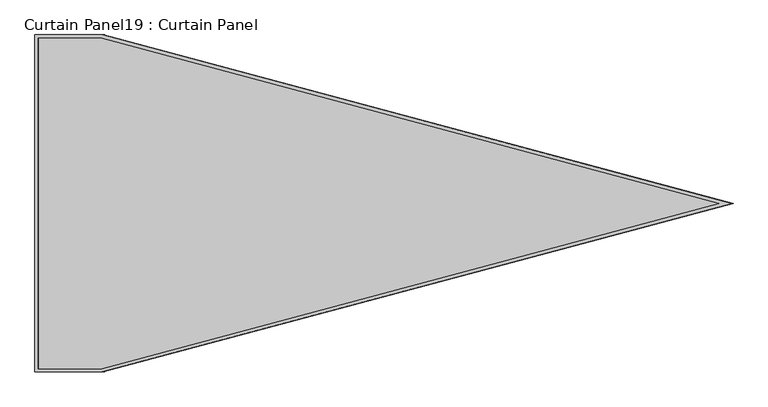
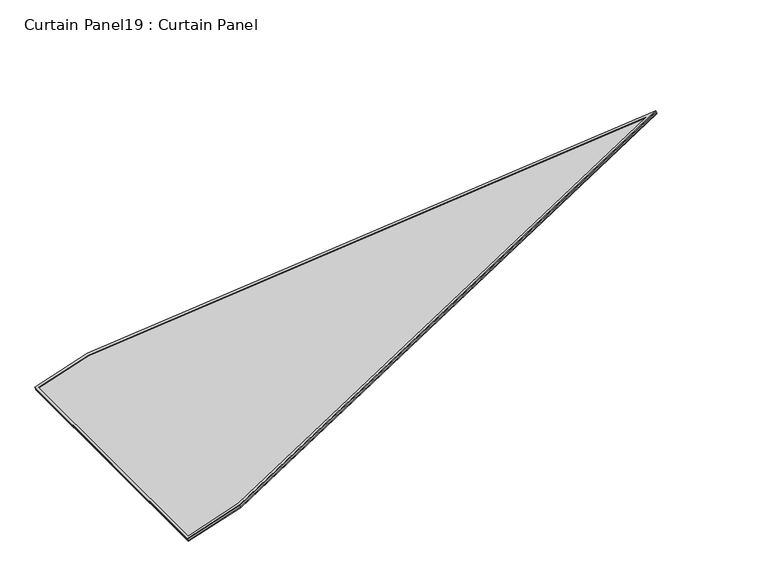
"""IFC4 building model written with IfcOpenShell, lengths in millimetres: plate geometry, Curtain Panel19 : Curtain Panel."""

from ifc_helpers import new_model, si_unit, frame, origin, place, context, project, spatial, polyline, outline, extrude, source, transform, mapped, element, save


def curtain_panel19_curtain_panel_593d50a8(model_context):
    return source(origin(), model_context, "Body", "SweptSolid", [
        extrude(outline(polyline([(847.4212104, -3689.225255), (0.0, -355.6280701), (0.0, 0.0), (1694.8442516, 0.0), (1694.8442516, -355.6208679), (847.4212104, -3689.225255)]), holes=[polyline([(1678.1814538, -16.6627978), (16.6627979, -16.6627978), (16.6627979, -353.5433288), (847.4212104, -3621.5921707), (1678.1814538, -353.5361264), (1678.1814538, -16.6627978)])]), frame((8732.5000214, 488.9644202, 1932.1705917), z_axis=(-0.3161458239738051, 0.0, 0.9487106081329143), x_axis=(0.0, 1.0, 0.0)), (0.0, 0.0, 1.0), 4.7588177),
        extrude(outline(polyline([(847.4212104, -3689.225255), (0.0, -355.6280702), (0.0, 0.0), (1694.8442516, 0.0), (1694.8442516, -355.6208679), (847.4212104, -3689.225255)]), holes=[polyline([(1684.5314538, -10.3127978), (10.3127979, -10.3127978), (10.3127979, -354.3377997), (847.4212104, -3647.3663588), (1684.5314538, -354.3305974), (1684.5314538, -10.3127978)])]), frame((8738.0957828, 488.9644202, 1915.3784729), z_axis=(-0.31614582397380514, 0.0, 0.9487106081329143), x_axis=(0.0, 1.0, 0.0)), (0.0, 0.0, 1.0), 4.7666001),
        extrude(outline(polyline([(12.7, 0.0), (1707.5442516, 0.0), (1707.5442516, -355.6208679), (860.1212104, -3689.2252551), (12.7, -355.6280702), (12.7, 0.0)])), frame((8736.588842, 476.2644202, 1919.9005971), z_axis=(-0.3161458239738053, 0.0, 0.9487106081329142), x_axis=(0.0, 1.0, 0.0)), (0.0, 0.0, 1.0), 12.9333376),
    ])


if __name__ == "__main__":
    model = new_model("IFC4")
    model_context = context("Model", 3, world=origin())
    ifc_project = project(units=[si_unit("LENGTHUNIT", "METRE", prefix="MILLI")], contexts=[model_context])
    site = spatial("IfcSite", under=ifc_project)
    building = spatial("IfcBuilding", under=site)
    placement = place(None, origin())
    curtain_panel19_curtain_panel_shape = curtain_panel19_curtain_panel_593d50a8(model_context)
    element("IfcPlate", 1, ObjectType="Curtain Panel19 : Curtain Panel", at=placement, inside=building, context=model_context, shape_type="MappedRepresentation", body=[
        mapped(curtain_panel19_curtain_panel_shape, transform((0.0, 0.0, 0.0), x_axis=(1.0, 0.0, 0.0), y_axis=(0.0, 1.0, 0.0), z_axis=(0.0, 0.0, 1.0))),
    ])
    save(model, "model.ifc")
